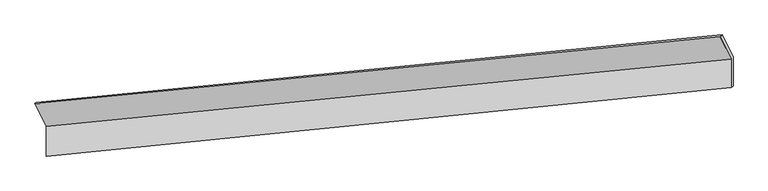
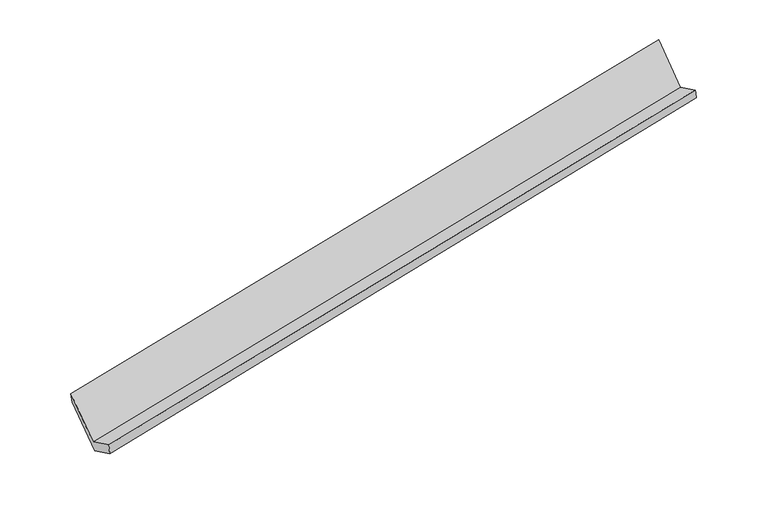
"""IFC4 building model written with IfcOpenShell, lengths in millimetres: proxy geometry."""

from ifc_helpers import new_model, si_unit, frame, origin, place, context, project, spatial, source, transform, mapped, element, save
from ifc_brep_helpers import plane_surface, spline_surface, advanced_brep


def generic_models_99b07869(model_context):
    return source(origin(), model_context, "Body", "AdvancedBrep", [
        advanced_brep(
        [(-7634.6095222, -1957.5241439, 796.7142699), (-7634.0766816, -2379.6295327, 1005.8137907), (1987.9558528, -1415.3131895, 2849.09433), (1987.4512911, -1015.609776, 2651.0921379), (-7603.9164089, -2348.872327, 834.3767712), (2013.9102148, -1393.804676, 2704.0537498), (-7604.4250091, -1945.969727, 634.7897893), (2013.3903031, -981.9412859, 2500.0278363), (-7762.086548, -1622.5997493, 1287.9726281), (1862.0715649, -671.5806402, 3126.9328106), (-7791.0356497, -1636.6880434, 1444.778869), (1833.1394305, -699.1101194, 3290.3974488)],
        [
            (0, 1),
            (1, 2),
            (2, 3),
            (3, 0),
            (1, 4),
            (4, 5),
            (5, 2),
            (4, 6),
            (6, 7),
            (7, 5),
            (6, 8),
            (8, 9),
            (9, 7),
            (8, 10),
            (10, 11),
            (11, 9),
            (10, 0),
            (3, 11),
        ],
        [
            plane_surface(frame((-7634.3431019, -2168.5768383, 901.2640303), z_axis=(-0.21126767480443054, 0.43365982550170773, 0.8759595454862958), x_axis=(0.0011311565335811787, -0.8960790089576327, 0.4438931517723645))),
            spline_surface(1, 1, [[(-7634.0766816, -2379.6295327, 1005.8137907), (1987.9558528, -1415.3131895, 2849.09433)], [(-7603.9164089, -2348.872327, 834.3767712), (2013.9102148, -1393.804676, 2704.0537498)]], [2, 2], [2, 2], [0.0, 1.0], [0.0, 1.0]),
            plane_surface(frame((-7604.170709, -2147.421027, 734.5832803), z_axis=(0.21325301277399064, -0.4334663904068084, -0.8755741207519262), x_axis=(-0.0011311565335916703, 0.8960790089576358, -0.4438931517723582))),
            plane_surface(frame((-7683.2557785, -1784.2847382, 961.3812087), z_axis=(-0.003613279401855893, 0.8958352654691469, -0.4443716027760857), x_axis=(-0.21142668900125536, 0.433644401516963, 0.8759288145796789))),
            spline_surface(1, 1, [[(-7762.086548, -1622.5997493, 1287.9726281), (1862.0715649, -671.5806402, 3126.9328106)], [(-7791.0356497, -1636.6880434, 1444.778869), (1833.1394305, -699.1101194, 3290.3974488)]], [2, 2], [2, 2], [0.0, 1.0], [0.0, 1.0]),
            plane_surface(frame((-7712.8225859, -1797.1060936, 1120.7465694), z_axis=(0.002124009245651079, -0.8959822047850033, 0.444084876226751), x_axis=(0.2114266890012508, -0.43364440151696665, -0.8759288145796781))),
            plane_surface(frame((1949.6531095, -1029.5599478, 2853.5997189), z_axis=(0.9773932042237993, 0.0948416719510252, 0.18896449824945688), x_axis=(-0.17193621812688298, -0.1636005999778827, 0.9714282168966999))),
            plane_surface(frame((-7671.6916366, -1981.8805872, 1000.7410197), z_axis=(-0.977393204223802, -0.09484167195107157, -0.18896449824941872), x_axis=(-0.21142668900123723, 0.43364440151697997, 0.8759288145796749))),
        ],
        [
            (0, [[1, 2, 3, 4]]),
            (1, [[5, 6, 7, -2]]),
            (2, [[8, 9, 10, -6]]),
            (3, [[11, 12, 13, -9]]),
            (4, [[14, 15, 16, -12]]),
            (5, [[17, -4, 18, -15]]),
            (6, [[-16, -18, -3, -7, -10, -13]]),
            (7, [[-17, -14, -11, -8, -5, -1]]),
        ],
    ),
    ])


if __name__ == "__main__":
    model = new_model("IFC4")
    model_context = context("Model", 3, world=origin())
    ifc_project = project(units=[si_unit("LENGTHUNIT", "METRE", prefix="MILLI")], contexts=[model_context])
    site = spatial("IfcSite", under=ifc_project)
    building = spatial("IfcBuilding", under=site)
    placement = place(None, origin())
    generic_models_shape = generic_models_99b07869(model_context)
    element("IfcBuildingElementProxy", 1, Name="Generic Models", at=placement, inside=building, context=model_context, shape_type="MappedRepresentation", body=[
        mapped(generic_models_shape, transform((0.0, 0.0, 0.0), x_axis=(1.0, 0.0, 0.0), y_axis=(0.0, 1.0, 0.0), z_axis=(0.0, 0.0, 1.0))),
    ])
    save(model, "model.ifc")
